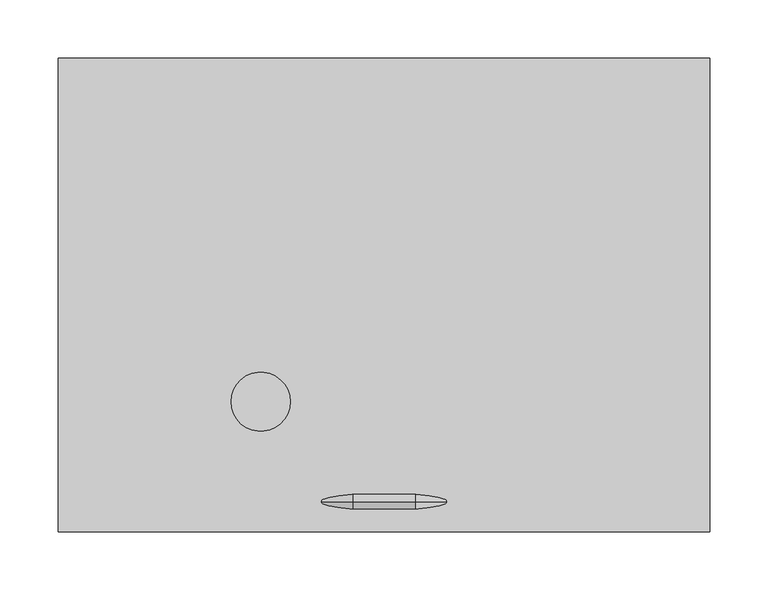
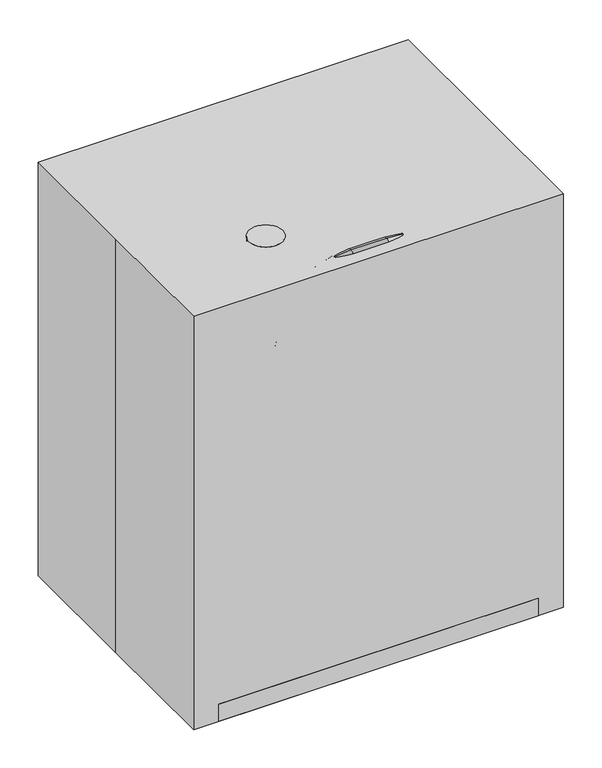
"""IFC4 building model written with IfcOpenShell, lengths in millimetres: proxy geometry."""

from ifc_helpers import new_model, si_unit, point, frame, frame_2d, origin, origin_with_axes, place, context, project, spatial, polyline, circle_curve, ellipse_curve, trimmed, segment, composite_curve, outline, extrude, source, transform, mapped, element, save
from ifc_brep_helpers import plane_surface, cylinder_surface, revolved_surface, advanced_brep


def specialty_equipment_5b33253d(model_context):
    return source(origin(), model_context, "Body", "SolidModel", [
        advanced_brep(
        [(-145.0328479, -177.5141785, 20.8475767), (-162.7213181, -177.5141785, 20.8475767), (-162.7213181, -177.5141785, 526.8062528), (-145.0328479, -177.5141785, 526.8062528), (-26.877083, -177.5141785, 662.6504879), (-26.877083, -177.5141785, 644.9620177), (26.877083, -177.5141785, 662.6504879), (26.877083, -177.5141785, 644.9620177), (162.7213181, -177.5141785, 526.8062528), (145.0328479, -177.5141785, 526.8062528), (145.0328479, -177.5141785, 20.8475767), (162.7213181, -177.5141785, 20.8475767)],
        [
            (0, 1, circle_curve(frame((-153.877083, -177.5141785, 20.8475767), z_axis=(0.0, 0.0, -1.0), x_axis=(-1.0, 0.0, 0.0)), 8.8442351)),
            (1, 0, circle_curve(frame((-153.877083, -177.5141785, 20.8475767), z_axis=(0.0, 0.0, -1.0), x_axis=(-1.0, 0.0, 0.0)), 8.8442351)),
            (1, 2),
            (2, 3, circle_curve(frame((-153.877083, -177.5141785, 526.8062528), z_axis=(0.0, 0.0, -1.0), x_axis=(-1.0, 0.0, 0.0)), 8.8442351)),
            (3, 0),
            (3, 2, circle_curve(frame((-153.877083, -177.5141785, 526.8062528), z_axis=(0.0, 0.0, -1.0), x_axis=(-1.0, 0.0, 0.0)), 8.8442351)),
            (4, 5, circle_curve(frame((-26.877083, -177.5141785, 653.8062528), z_axis=(-1.0, 0.0, 0.0), x_axis=(0.0, 0.0, 1.0)), 8.8442351)),
            (5, 3, circle_curve(frame((-26.877083, -177.5141785, 526.8062528), z_axis=(0.0, -1.0, 0.0), x_axis=(-1.0, 0.0, 0.0)), 118.1557649)),
            (2, 4, circle_curve(frame((-26.877083, -177.5141785, 526.8062528), z_axis=(0.0, 1.0, 0.0), x_axis=(-1.0, 0.0, 0.0)), 135.8442351)),
            (5, 4, circle_curve(frame((-26.877083, -177.5141785, 653.8062528), z_axis=(-1.0, 0.0, 0.0), x_axis=(0.0, 0.0, 1.0)), 8.8442351)),
            (4, 6),
            (6, 7, circle_curve(frame((26.877083, -177.5141785, 653.8062528), z_axis=(-1.0, 0.0, 0.0), x_axis=(0.0, 0.0, 1.0)), 8.8442351)),
            (7, 5),
            (7, 6, circle_curve(frame((26.877083, -177.5141785, 653.8062528), z_axis=(-1.0, 0.0, 0.0), x_axis=(0.0, 0.0, 1.0)), 8.8442351)),
            (8, 9, circle_curve(frame((153.877083, -177.5141785, 526.8062528), z_axis=(0.0, 0.0, 1.0), x_axis=(1.0, 0.0, 0.0)), 8.8442351)),
            (9, 7, circle_curve(frame((26.877083, -177.5141785, 526.8062528), z_axis=(0.0, -1.0, 0.0), x_axis=(0.0, 0.0, 1.0)), 118.1557649)),
            (6, 8, circle_curve(frame((26.877083, -177.5141785, 526.8062528), z_axis=(0.0, 1.0, 0.0), x_axis=(0.0, 0.0, 1.0)), 135.8442351)),
            (9, 8, circle_curve(frame((153.877083, -177.5141785, 526.8062528), z_axis=(0.0, 0.0, 1.0), x_axis=(1.0, 0.0, 0.0)), 8.8442351)),
            (10, 11, circle_curve(frame((153.877083, -177.5141785, 20.8475767), z_axis=(0.0, 0.0, -1.0), x_axis=(1.0, 0.0, 0.0)), 8.8442351)),
            (11, 10, circle_curve(frame((153.877083, -177.5141785, 20.8475767), z_axis=(0.0, 0.0, -1.0), x_axis=(1.0, 0.0, 0.0)), 8.8442351)),
            (8, 11),
            (10, 9),
        ],
        [
            plane_surface(frame((-153.877083, -177.5141785, 20.8475767), z_axis=(0.0, 0.0, -1.0), x_axis=(0.0, 1.0, 0.0))),
            cylinder_surface(frame((-153.877083, -177.5141785, 20.8475767), z_axis=(0.0, 0.0, -1.0), x_axis=(-1.0, 0.0, 0.0)), 8.8442351),
            revolved_surface(trimmed(ellipse_curve(frame((-153.877083, -177.5141785, 526.8062528), z_axis=(0.0, 0.0, 1.0), x_axis=(-1.0, 0.0, 0.0)), 8.8442351, 8.8442351), [point((-145.0328479, -177.5141785, 526.8062528))], [point((-162.7213181, -177.5141785, 526.8062528))], True, "CARTESIAN"), (-26.877083, -177.5141785, 526.8062528), (0.0, -1.0, 0.0)),
            revolved_surface(trimmed(ellipse_curve(frame((-153.877083, -177.5141785, 526.8062528), z_axis=(0.0, 0.0, 1.0), x_axis=(-1.0, 0.0, 0.0)), 8.8442351, 8.8442351), [point((-162.7213181, -177.5141785, 526.8062528))], [point((-145.0328479, -177.5141785, 526.8062528))], True, "CARTESIAN"), (-26.877083, -177.5141785, 526.8062528), (0.0, -1.0, 0.0)),
            cylinder_surface(frame((-26.877083, -177.5141785, 653.8062528), z_axis=(-1.0, 0.0, 0.0), x_axis=(0.0, 0.0, 1.0)), 8.8442351),
            revolved_surface(trimmed(ellipse_curve(frame((26.877083, -177.5141785, 653.8062528), z_axis=(1.0, 0.0, 0.0), x_axis=(0.0, 0.0, 1.0)), 8.8442351, 8.8442351), [point((26.877083, -177.5141785, 644.9620177))], [point((26.877083, -177.5141785, 662.6504879))], True, "CARTESIAN"), (26.877083, -177.5141785, 526.8062528), (0.0, -1.0, 0.0)),
            revolved_surface(trimmed(ellipse_curve(frame((26.877083, -177.5141785, 653.8062528), z_axis=(1.0, 0.0, 0.0), x_axis=(0.0, 0.0, 1.0)), 8.8442351, 8.8442351), [point((26.877083, -177.5141785, 662.6504879))], [point((26.877083, -177.5141785, 644.9620177))], True, "CARTESIAN"), (26.877083, -177.5141785, 526.8062528), (0.0, -1.0, 0.0)),
            plane_surface(frame((153.877083, -177.5141785, 20.8475767), z_axis=(0.0, 0.0, -1.0), x_axis=(0.0, 1.0, 0.0))),
            cylinder_surface(frame((153.877083, -177.5141785, 526.8062528), z_axis=(0.0, 0.0, 1.0), x_axis=(1.0, 0.0, 0.0)), 8.8442351),
        ],
        [
            (0, [[1, 2]]),
            (1, [[3, 4, 5, -2]]),
            (1, [[-5, 6, -3, -1]]),
            (2, [[7, 8, -4, 9]]),
            (3, [[10, -9, -6, -8]]),
            (4, [[11, 12, 13, -7]]),
            (4, [[-13, 14, -11, -10]]),
            (5, [[15, 16, -12, 17]]),
            (6, [[18, -17, -14, -16]]),
            (7, [[19, 20]]),
            (8, [[21, -19, 22, -15]]),
            (8, [[-22, -20, -21, -18]]),
        ],
    ),
        extrude(outline(composite_curve([segment(trimmed(circle_curve(frame_2d((-105.7960316, -91.6698015)), 25.4), [point((-131.1960316, -91.6698015))], [point((-80.3960316, -91.6698015))], False, "CARTESIAN"), True, "CONTINUOUS"), segment(trimmed(circle_curve(frame_2d((-105.7960316, -91.6698015)), 25.4), [point((-80.3960316, -91.6698015))], [point((-131.1960316, -91.6698015))], False, "CARTESIAN"), True, "CONTINUOUS")], self_intersect=False)), frame((0.0, 0.0, 577.047116), z_axis=(0.0, 0.0, 1.0), x_axis=(1.0, 0.0, 0.0)), (0.0, 0.0, 1.0), 83.352884),
        extrude(outline(composite_curve([segment(trimmed(circle_curve(frame_2d((-105.7960316, -91.6698015)), 9.5827417), [point((-115.3787733, -91.6698015))], [point((-96.2132898, -91.6698015))], False, "CARTESIAN"), True, "CONTINUOUS"), segment(trimmed(circle_curve(frame_2d((-105.7960316, -91.6698015)), 9.5827417), [point((-96.2132898, -91.6698015))], [point((-115.3787733, -91.6698015))], False, "CARTESIAN"), True, "CONTINUOUS")], self_intersect=False)), frame((0.0, 0.0, 385.654463), z_axis=(0.0, 0.0, 1.0), x_axis=(1.0, 0.0, 0.0)), (0.0, 0.0, 1.0), 191.392653),
        extrude(outline(composite_curve([segment(trimmed(circle_curve(frame_2d((-105.7960316, -91.6698015)), 19.05), [point((-124.8460316, -91.6698015))], [point((-86.7460316, -91.6698015))], False, "CARTESIAN"), True, "CONTINUOUS"), segment(trimmed(circle_curve(frame_2d((-105.7960316, -91.6698015)), 19.05), [point((-86.7460316, -91.6698015))], [point((-124.8460316, -91.6698015))], False, "CARTESIAN"), True, "CONTINUOUS")], self_intersect=False)), frame((0.0, 0.0, 278.2079824), z_axis=(0.0, 0.0, 1.0), x_axis=(1.0, 0.0, 0.0)), (0.0, 0.0, 1.0), 107.4464806),
        extrude(outline(composite_curve([segment(polyline([(-9.0604178, -158.1012966), (-115.1403986, -115.1898315)]), True, "CONTINUOUS"), segment(trimmed(circle_curve(frame_2d((-105.6153986, -91.6434013)), 25.4), [point((-115.1403986, -115.1898315))], [point((-123.8716486, -73.9835786))], False, "CARTESIAN"), True, "CONTINUOUS"), segment(trimmed(circle_curve(frame_2d((-105.6153986, -91.6434013)), 25.4), [point((-123.8716486, -73.9835786))], [point((-96.0903986, -68.0969711))], False, "CARTESIAN"), True, "CONTINUOUS"), segment(polyline([(-96.0903986, -68.0969711), (9.9895822, -111.0084362)]), True, "CONTINUOUS"), segment(trimmed(circle_curve(frame_2d((0.4645822, -134.5548664)), 25.4), [point((9.9895822, -111.0084362))], [point((25.8645822, -134.5548664))], False, "CARTESIAN"), True, "CONTINUOUS"), segment(trimmed(circle_curve(frame_2d((0.4645822, -134.5548664)), 25.4), [point((25.8645822, -134.5548664))], [point((-9.0604178, -158.1012966))], False, "CARTESIAN"), True, "CONTINUOUS")], self_intersect=False)), frame((0.0, 0.0, 263.1373764), z_axis=(0.0, 0.0, 1.0), x_axis=(1.0, 0.0, 0.0)), (0.0, 0.0, 1.0), 15.070606),
        extrude(outline(composite_curve([segment(trimmed(circle_curve(frame_2d((463.1623764, -38.1)), 31.75), [point((463.1623764, -69.85))], [point((463.1623764, -6.35))], False, "CARTESIAN"), True, "CONTINUOUS"), segment(trimmed(circle_curve(frame_2d((463.1623764, -38.1)), 31.75), [point((463.1623764, -6.35))], [point((463.1623764, -69.85))], False, "CARTESIAN"), True, "CONTINUOUS")], self_intersect=False)), frame((0.0, -15.2741952, 0.0), z_axis=(0.0, 1.0, 0.0), x_axis=(0.0, 0.0, 1.0)), (0.0, 0.0, 1.0), 85.3212077),
        extrude(outline(composite_curve([segment(trimmed(circle_curve(frame_2d((463.1623764, 38.1)), 31.75), [point((463.1623764, 6.35))], [point((463.1623764, 69.85))], False, "CARTESIAN"), True, "CONTINUOUS"), segment(trimmed(circle_curve(frame_2d((463.1623764, 38.1)), 31.75), [point((463.1623764, 69.85))], [point((463.1623764, 6.35))], False, "CARTESIAN"), True, "CONTINUOUS")], self_intersect=False)), frame((0.0, -15.2741952, 0.0), z_axis=(0.0, 1.0, 0.0), x_axis=(0.0, 0.0, 1.0)), (0.0, 0.0, 1.0), 85.3212077),
        extrude(outline(polyline([(38.1, 58.2576724), (38.1, -31.9128659), (-38.1, -31.9128659), (-38.1, 58.2576724), (38.1, 58.2576724)])), frame((0.0, 0.0, 440.9373764), z_axis=(0.0, 0.0, 1.0), x_axis=(1.0, 0.0, 0.0)), (0.0, 0.0, 1.0), 44.45),
        extrude(outline(composite_curve([segment(polyline([(-139.7, 186.9373764), (-139.7, 205.9873764), (-27.7533444, 205.9873764)]), True, "CONTINUOUS"), segment(trimmed(circle_curve(frame_2d((-27.7533444, 237.7373764)), 31.75), [point((-27.7533444, 205.9873764))], [point((3.9966556, 237.7373764))], True, "CARTESIAN"), True, "CONTINUOUS"), segment(polyline([(3.9966556, 237.7373764), (3.9966556, 440.9373764), (23.0466556, 440.9373764), (23.0466556, 237.7373764)]), True, "CONTINUOUS"), segment(trimmed(circle_curve(frame_2d((-27.7533444, 237.7373764)), 50.8), [point((23.0466556, 237.7373764))], [point((-27.7533444, 186.9373764))], False, "CARTESIAN"), True, "CONTINUOUS"), segment(polyline([(-27.7533444, 186.9373764), (-139.7, 186.9373764)]), True, "CONTINUOUS")], self_intersect=False)), frame((-9.525, 0.0, 0.0), z_axis=(1.0, 0.0, 0.0), x_axis=(0.0, 1.0, 0.0)), (0.0, 0.0, 1.0), 19.05),
        extrude(outline(composite_curve([segment(trimmed(circle_curve(frame_2d((0.0, -135.7033444)), 25.4), [point((-25.4, -135.7033444))], [point((25.4, -135.7033444))], False, "CARTESIAN"), True, "CONTINUOUS"), segment(trimmed(circle_curve(frame_2d((0.0, -135.7033444)), 25.4), [point((25.4, -135.7033444))], [point((-25.4, -135.7033444))], False, "CARTESIAN"), True, "CONTINUOUS")], self_intersect=False)), frame((0.0, 0.0, 162.8544217), z_axis=(0.0, 0.0, 1.0), x_axis=(1.0, 0.0, 0.0)), (0.0, 0.0, 1.0), 100.2829548),
        extrude(outline(composite_curve([segment(polyline([(-31.75, -63.5), (31.75, -63.5), (31.75, -133.35)]), True, "CONTINUOUS"), segment(trimmed(circle_curve(frame_2d((0.0, -133.35)), 31.75), [point((31.75, -133.35))], [point((-31.75, -133.35))], False, "CARTESIAN"), True, "CONTINUOUS"), segment(polyline([(-31.75, -133.35), (-31.75, -63.5)]), True, "CONTINUOUS")], self_intersect=False)), frame((0.0, 0.0, 98.7002049), z_axis=(0.0, 0.0, 1.0), x_axis=(1.0, 0.0, 0.0)), (0.0, 0.0, 1.0), 64.1542168),
        advanced_brep(
        [(-6.35, 107.95, 124.1002049), (-6.35, 107.95, 98.7002049), (6.35, 107.95, 98.7002049), (6.35, 107.95, 124.1002049), (-15.7616412, 107.95, 144.2835345), (15.7616412, 107.95, 144.2835345), (-15.7616412, 107.95, 176.0335345), (15.7616412, 107.95, 176.0335345), (0.0, 107.95, 176.0335345), (0.0, 107.95, 98.7002049)],
        [
            (0, 1),
            (1, 2, circle_curve(frame((0.0, 107.95, 98.7002049), z_axis=(0.0, 0.0, 1.0), x_axis=(1.0, 0.0, 0.0)), 6.35)),
            (2, 3),
            (3, 0, circle_curve(frame((0.0, 107.95, 124.1002049), z_axis=(0.0, 0.0, -1.0), x_axis=(1.0, 0.0, 0.0)), 6.35)),
            (2, 1, circle_curve(frame((0.0, 107.95, 98.7002049), z_axis=(0.0, 0.0, 1.0), x_axis=(1.0, 0.0, 0.0)), 6.35)),
            (0, 3, circle_curve(frame((0.0, 107.95, 124.1002049), z_axis=(0.0, 0.0, -1.0), x_axis=(1.0, 0.0, 0.0)), 6.35)),
            (4, 0),
            (3, 5),
            (5, 4, circle_curve(frame((0.0, 107.95, 144.2835345), z_axis=(0.0, 0.0, -1.0), x_axis=(1.0, 0.0, 0.0)), 15.7616412)),
            (4, 5, circle_curve(frame((0.0, 107.95, 144.2835345), z_axis=(0.0, 0.0, -1.0), x_axis=(1.0, 0.0, 0.0)), 15.7616412)),
            (6, 4),
            (5, 7),
            (7, 6, circle_curve(frame((0.0, 107.95, 176.0335345), z_axis=(0.0, 0.0, -1.0), x_axis=(1.0, 0.0, 0.0)), 15.7616412)),
            (6, 7, circle_curve(frame((0.0, 107.95, 176.0335345), z_axis=(0.0, 0.0, -1.0), x_axis=(1.0, 0.0, 0.0)), 15.7616412)),
            (8, 6),
            (7, 8),
            (1, 9),
            (9, 2),
        ],
        [
            cylinder_surface(frame((0.0, 107.95, 117.7502049), z_axis=(0.0, 0.0, 1.0), x_axis=(1.0, 0.0, 0.0)), 6.35),
            revolved_surface(polyline([(6.35, 107.95, 124.1002049), (15.7616412, 107.95, 144.2835345)]), (0.0, 107.95, 117.7502049), (0.0, 0.0, 1.0)),
            cylinder_surface(frame((0.0, 107.95, 117.7502049), z_axis=(0.0, 0.0, 1.0), x_axis=(1.0, 0.0, 0.0)), 15.7616412),
            plane_surface(frame((0.0, 107.95, 176.0335345), z_axis=(0.0, 0.0, 1.0), x_axis=(1.0, 0.0, 0.0))),
            plane_surface(frame((0.0, 107.95, 98.7002049), z_axis=(0.0, 0.0, -1.0), x_axis=(1.0, 0.0, 0.0))),
        ],
        [
            (0, [[1, 2, 3, 4]]),
            (0, [[-3, 5, -1, 6]]),
            (1, [[7, -4, 8, 9]]),
            (1, [[-8, -6, -7, 10]]),
            (2, [[11, -9, 12, 13]]),
            (2, [[-12, -10, -11, 14]]),
            (3, [[15, -13, 16]]),
            (3, [[-16, -14, -15]]),
            (4, [[17, 18, -2]]),
            (4, [[-18, -17, -5]]),
        ],
    ),
        extrude(outline(composite_curve([segment(trimmed(circle_curve(frame_2d((-136.8715616, 63.9058293)), 19.05), [point((-155.9215616, 63.9058293))], [point((-117.8215616, 63.9058293))], False, "CARTESIAN"), True, "CONTINUOUS"), segment(trimmed(circle_curve(frame_2d((-136.8715616, 63.9058293)), 19.05), [point((-117.8215616, 63.9058293))], [point((-155.9215616, 63.9058293))], False, "CARTESIAN"), True, "CONTINUOUS")], self_intersect=False)), frame((-166.577083, 0.0, 0.0), z_axis=(1.0, 0.0, 0.0), x_axis=(0.0, 1.0, 0.0)), (0.0, 0.0, 1.0), 333.154166),
        extrude(outline(composite_curve([segment(polyline([(76.2, -171.45), (-76.2, -171.45), (-76.2, 88.9)]), True, "CONTINUOUS"), segment(trimmed(circle_curve(frame_2d((0.0, 88.9)), 76.2), [point((-76.2, 88.9))], [point((76.2, 88.9))], False, "CARTESIAN"), True, "CONTINUOUS"), segment(polyline([(76.2, 88.9), (76.2, -171.45)]), True, "CONTINUOUS")], self_intersect=False)), frame((0.0, 0.0, 27.4413239), z_axis=(0.0, 0.0, 1.0), x_axis=(1.0, 0.0, 0.0)), (0.0, 0.0, 1.0), 71.258881),
        extrude(outline(polyline([(-166.577083, -171.45), (-204.677083, -171.45), (-204.677083, -44.45), (-166.577083, -44.45), (-166.577083, -171.45)])), frame((0.0, 0.0, 27.4413239), z_axis=(0.0, 0.0, 1.0), x_axis=(1.0, 0.0, 0.0)), (0.0, 0.0, 1.0), 71.258881),
        extrude(outline(polyline([(166.577083, -171.45), (166.577083, -44.45), (204.677083, -44.45), (204.677083, -171.45), (166.577083, -171.45)])), frame((0.0, 0.0, 27.4413239), z_axis=(0.0, 0.0, 1.0), x_axis=(1.0, 0.0, 0.0)), (0.0, 0.0, 1.0), 71.258881),
        extrude(outline(polyline([(241.3, -203.2), (-241.3, -203.2), (-241.3, 203.2), (241.3, 203.2), (241.3, -203.2)])), origin_with_axes(), (0.0, 0.0, 1.0), 27.4413239),
        extrude(outline(polyline([(-279.4, -203.2), (-279.4, 0.0), (-279.4, 203.2), (279.4, 203.2), (279.4, -203.2), (-279.4, -203.2)])), origin_with_axes(), (0.0, 0.0, 1.0), 660.4),
    ])


if __name__ == "__main__":
    model = new_model("IFC4")
    model_context = context("Model", 3, world=origin())
    ifc_project = project(units=[si_unit("LENGTHUNIT", "METRE", prefix="MILLI")], contexts=[model_context])
    site = spatial("IfcSite", under=ifc_project)
    building = spatial("IfcBuilding", under=site)
    placement = place(None, origin())
    specialty_equipment_shape = specialty_equipment_5b33253d(model_context)
    element("IfcBuildingElementProxy", 1, Name="Specialty Equipment", at=placement, inside=building, context=model_context, shape_type="MappedRepresentation", body=[
        mapped(specialty_equipment_shape, transform((0.0, 0.0, 0.0), x_axis=(1.0, 0.0, 0.0), y_axis=(0.0, 1.0, 0.0), z_axis=(0.0, 0.0, 1.0))),
    ])
    save(model, "model.ifc")
